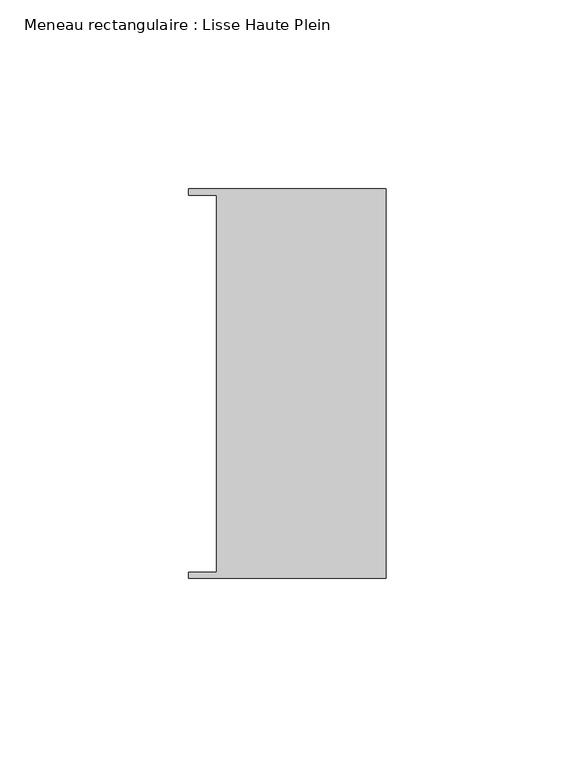
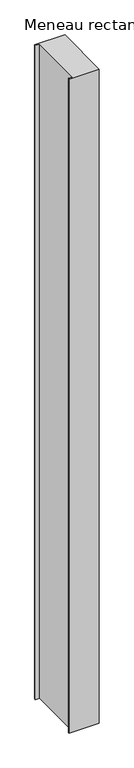
"""IFC4 building model written with IfcOpenShell, lengths in millimetres: member geometry, Meneau rectangulaire : Lisse Haute Plein."""

from ifc_helpers import new_model, si_unit, frame, origin, place, context, project, spatial, polyline, outline, extrude, source, transform, mapped, element, save


def meneau_rectangulaire_lisse_haute_plein_cde142ee(model_context):
    return source(origin(), model_context, "Body", "SweptSolid", [
        extrude(outline(polyline([(-44.9064331, 49.9174073), (-52.3, 49.9174073), (-52.3, 51.585934), (0.0, 51.585934), (0.0, -51.6011428), (-52.3, -51.6011428), (-52.3, -49.9174073), (-44.9064331, -49.9174073), (-44.9064331, 49.9174073)])), frame((0.0, 0.0, -1199.2000003), z_axis=(0.0, 0.0, 1.0), x_axis=(1.0, 0.0, 0.0)), (0.0, 0.0, 1.0), 1199.2000003),
    ])


if __name__ == "__main__":
    model = new_model("IFC4")
    model_context = context("Model", 3, world=origin())
    ifc_project = project(units=[si_unit("LENGTHUNIT", "METRE", prefix="MILLI")], contexts=[model_context])
    site = spatial("IfcSite", under=ifc_project)
    building = spatial("IfcBuilding", under=site)
    placement = place(None, origin())
    meneau_rectangulaire_lisse_haute_plein_shape = meneau_rectangulaire_lisse_haute_plein_cde142ee(model_context)
    element("IfcMember", 1, ObjectType="Meneau rectangulaire : Lisse Haute Plein", at=placement, inside=building, context=model_context, shape_type="MappedRepresentation", body=[
        mapped(meneau_rectangulaire_lisse_haute_plein_shape, transform((0.0, 0.0, 0.0), x_axis=(1.0, 0.0, 0.0), y_axis=(0.0, 1.0, 0.0), z_axis=(0.0, 0.0, 1.0))),
    ])
    save(model, "model.ifc")
